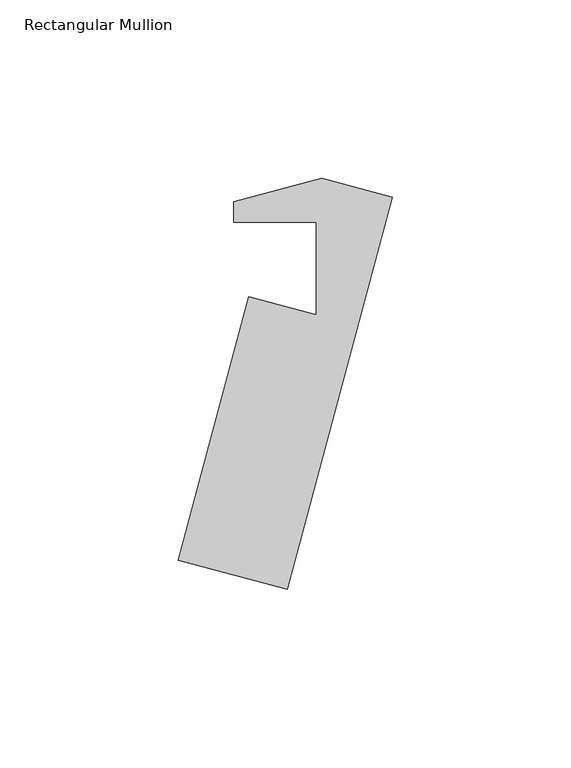
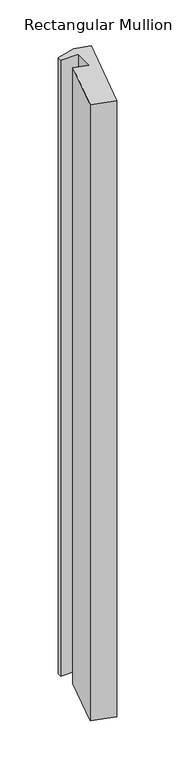
"""IFC4 building model written with IfcOpenShell, lengths in millimetres: member geometry, Rectangular Mullion."""

import ifcopenshell
import ifcopenshell.guid

model = None  # the IFC model being written
_history = None  # IfcOwnerHistory: only IFC2X3 demands one
_inside = {}  # id of a spatial element -> (the spatial element, [elements in it])
_under = {}  # id of a project, library or spatial element -> (it, [spatial elements below it])
_declared = {}  # id of a project -> (the project, [libraries it declares])
_typed = {}  # id of a type object -> (the type object, [elements of that type])
_made_of = {}  # id of a material, layer set ... -> (it, [elements and type objects made of it])


def new_model(schema):
    """Start an empty IFC model of exactly this schema.

    Asked for "IFC4X3", IfcOpenShell would pick the latest addendum, in which some entities
    have other attributes; the version numbers below select the first issue.
    IFC2X3 requires an IfcOwnerHistory on every rooted entity: one is made here for all.
    """
    global model, _history
    if schema == "IFC4X3":
        model = ifcopenshell.file(schema_version=(4, 3, 0, 0))
    else:
        model = ifcopenshell.file(schema=schema)
    _inside.clear()
    _under.clear()
    _declared.clear()
    _typed.clear()
    _made_of.clear()
    _history = None
    if model.schema == "IFC2X3":
        org = make("IfcOrganization", Name="unknown")
        user = make(
            "IfcPersonAndOrganization",
            ThePerson=make("IfcPerson", FamilyName="unknown"),
            TheOrganization=org,
        )
        app = make(
            "IfcApplication",
            ApplicationDeveloper=org,
            Version="unknown",
            ApplicationFullName="unknown",
            ApplicationIdentifier="unknown",
        )
        _history = make(
            "IfcOwnerHistory",
            OwningUser=user,
            OwningApplication=app,
            ChangeAction="ADDED",
            CreationDate=0,
        )
    return model


def make(cls, **values):
    """One entity of the class cls with the attributes given. An attribute that is None is left unset."""
    return model.create_entity(
        cls, **{name: value for name, value in values.items() if value is not None}
    )


def rooted(cls, **values):
    """An entity with a GlobalId (a new one), such as an element, a storey or a relation."""
    return make(cls, GlobalId=ifcopenshell.guid.new(), OwnerHistory=_history, **values)


def si_unit(unit_type, name, prefix=None):
    """IfcSIUnit, for example si_unit("LENGTHUNIT", "METRE", prefix="MILLI")."""
    return make("IfcSIUnit", UnitType=unit_type, Prefix=prefix, Name=name)


def assignment(units):
    """IfcUnitAssignment: the units of a project."""
    return None if units is None else make("IfcUnitAssignment", Units=units)


def point(xyz):
    """IfcCartesianPoint."""
    return None if xyz is None else make("IfcCartesianPoint", Coordinates=xyz)


def direction(xyz):
    """IfcDirection."""
    return None if xyz is None else make("IfcDirection", DirectionRatios=xyz)


def frame(location, z_axis=None, x_axis=None):
    """IfcAxis2Placement3D, a coordinate frame: its origin and axes. An axis left out is left unset."""
    return make(
        "IfcAxis2Placement3D",
        Location=point(location),
        Axis=direction(z_axis),
        RefDirection=direction(x_axis),
    )


def origin():
    """The frame at (0, 0, 0) with its axes left unset."""
    return frame((0.0, 0.0, 0.0))


def place(relative_to, where):
    """IfcLocalPlacement: puts the frame where relative to a parent placement (None: the world)."""
    return make(
        "IfcLocalPlacement", PlacementRelTo=relative_to, RelativePlacement=where
    )


def context(
    kind, dimensions, precision=None, world=None, true_north=None, identifier=None
):
    """IfcGeometricRepresentationContext, for example the 3D "Model" context."""
    return make(
        "IfcGeometricRepresentationContext",
        ContextIdentifier=identifier,
        ContextType=kind,
        CoordinateSpaceDimension=dimensions,
        Precision=precision,
        WorldCoordinateSystem=world,
        TrueNorth=true_north,
    )


def project(units=None, contexts=None):
    """IfcProject with its units and contexts."""
    return rooted(
        "IfcProject",
        Name="project",
        RepresentationContexts=contexts,
        UnitsInContext=assignment(units),
    )


def spatial(cls, under=None, at=None, **own):
    """A site, building, storey or space (cls), placed at a placement, below another one or the project."""
    s = rooted(cls, ObjectPlacement=at, **own)
    if under is not None:
        _under.setdefault(under.id(), (under, []))[1].append(s)
    return s


def polyline(points):
    """IfcPolyline through the points."""
    return make("IfcPolyline", Points=[point(p) for p in points])


def outline(outer, holes=None, kind="AREA"):
    """IfcArbitraryClosedProfileDef: a profile drawn as a closed curve; with holes, ...WithVoids."""
    if holes is None:
        return make("IfcArbitraryClosedProfileDef", ProfileType=kind, OuterCurve=outer)
    return make(
        "IfcArbitraryProfileDefWithVoids",
        ProfileType=kind,
        OuterCurve=outer,
        InnerCurves=holes,
    )


def extrude(swept, where, along, depth):
    """IfcExtrudedAreaSolid: the profile swept, set in the frame where, extruded along a direction by depth."""
    return make(
        "IfcExtrudedAreaSolid",
        SweptArea=swept,
        Position=where,
        ExtrudedDirection=direction(along),
        Depth=depth,
    )


def shape(context_of_items, identifier, shape_type, items):
    """IfcShapeRepresentation: the items that make up one representation, for example the "Body"."""
    return make(
        "IfcShapeRepresentation",
        ContextOfItems=context_of_items,
        RepresentationIdentifier=identifier,
        RepresentationType=shape_type,
        Items=items,
    )


def source(mapping_origin, context_of_items, identifier, shape_type, items):
    """IfcRepresentationMap: a shape defined once, which mapped items show again and again."""
    return make(
        "IfcRepresentationMap",
        MappingOrigin=mapping_origin,
        MappedRepresentation=shape(context_of_items, identifier, shape_type, items),
    )


def transform(
    local_origin,
    x_axis=None,
    y_axis=None,
    z_axis=None,
    scale=None,
    scale2=None,
    scale3=None,
    uniform=True,
):
    """IfcCartesianTransformationOperator3D, or its non-uniform kind. x_axis, y_axis, z_axis: its Axis1, 2, 3."""
    if uniform:
        return make(
            "IfcCartesianTransformationOperator3D",
            Axis1=direction(x_axis),
            Axis2=direction(y_axis),
            LocalOrigin=point(local_origin),
            Scale=scale,
            Axis3=direction(z_axis),
        )
    return make(
        "IfcCartesianTransformationOperator3DnonUniform",
        Axis1=direction(x_axis),
        Axis2=direction(y_axis),
        LocalOrigin=point(local_origin),
        Scale=scale,
        Axis3=direction(z_axis),
        Scale2=scale2,
        Scale3=scale3,
    )


def mapped(mapping_source, mapping_target):
    """IfcMappedItem: shows the shape of a source again, moved by a transform."""
    return make(
        "IfcMappedItem", MappingSource=mapping_source, MappingTarget=mapping_target
    )


def made_of(thing, what):
    """Note that an element or type object is made of a material, layer set ...; save() writes the relation."""
    if what is not None:
        _made_of.setdefault(what.id(), (what, []))[1].append(thing)
    return thing


def element(
    cls,
    number,
    at=None,
    inside=None,
    cuts=None,
    type_object=None,
    material=None,
    context=None,
    identifier="Body",
    shape_type=None,
    held_by="IfcProductDefinitionShape",
    body=None,
    shapes=None,
    **own,
):
    """One element of the class cls, such as IfcWall. Its Tag is "e" and its number.

    at: its placement. inside: the storey or other place that contains it. cuts: it is an
    opening in that element (IfcRelVoidsElement). A single representation is given by context,
    identifier, shape_type and body (its items); several are given by shapes. held_by: the class
    of the entity that holds the representations. save() writes the other relations.
    """
    e = rooted(cls, Tag="e%d" % number, ObjectPlacement=at, **own)
    if body is not None:
        shapes = [shape(context, identifier, shape_type, body)]
    if shapes is not None:
        e.Representation = make(held_by, Representations=shapes)
    if inside is not None:
        _inside.setdefault(inside.id(), (inside, []))[1].append(e)
    if cuts is not None:
        rooted(
            "IfcRelVoidsElement", RelatingBuildingElement=cuts, RelatedOpeningElement=e
        )
    if type_object is not None:
        _typed.setdefault(type_object.id(), (type_object, []))[1].append(e)
    return made_of(e, material)


def aggregate(whole, parts):
    """IfcRelAggregates: a whole, such as a stair, and the parts it consists of."""
    return rooted("IfcRelAggregates", RelatingObject=whole, RelatedObjects=parts)


def save(model, path):
    """Write the relations noted so far, then the file.

    IfcRelAggregates (storeys below a building ...), IfcRelContainedInSpatialStructure (elements
    in a storey), IfcRelDefinesByType, IfcRelAssociatesMaterial and IfcRelDeclares: one each for
    every whole, place, type object, material and project.
    """
    for whole, parts in _under.values():
        aggregate(whole, parts)
    for where, things in _inside.values():
        rooted(
            "IfcRelContainedInSpatialStructure",
            RelatedElements=things,
            RelatingStructure=where,
        )
    for kind, things in _typed.values():
        rooted("IfcRelDefinesByType", RelatedObjects=things, RelatingType=kind)
    for what, things in _made_of.values():
        rooted("IfcRelAssociatesMaterial", RelatedObjects=things, RelatingMaterial=what)
    for by, libraries in _declared.values():
        rooted("IfcRelDeclares", RelatingContext=by, RelatedDefinitions=libraries)
    model.write(path)


def rectangular_mullion_58ad738d(model_context):
    return source(origin(), model_context, "Body", "SweptSolid", [
        extrude(outline(polyline([(3.1873155, 11.8952233), (-26.3044379, -98.1694988), (-56.9725829, -89.9519941), (-37.1651096, -16.0294974), (-18.2474631, -21.0984656), (-18.2474631, 4.8060016), (-41.3984584, 4.8060016), (-41.3984584, 10.6166788), (-16.7197749, 17.2293121), (3.1873155, 11.8952233)])), frame((0.0, 0.0, -863.6587692), z_axis=(0.0, 0.0, 1.0), x_axis=(1.0, 0.0, 0.0)), (0.0, 0.0, 1.0), 863.6587692),
    ])


if __name__ == "__main__":
    model = new_model("IFC4")
    model_context = context("Model", 3, world=origin())
    ifc_project = project(units=[si_unit("LENGTHUNIT", "METRE", prefix="MILLI")], contexts=[model_context])
    site = spatial("IfcSite", under=ifc_project)
    building = spatial("IfcBuilding", under=site)
    placement = place(None, origin())
    rectangular_mullion_shape = rectangular_mullion_58ad738d(model_context)
    element("IfcMember", 1, ObjectType="Rectangular Mullion", at=placement, inside=building, context=model_context, shape_type="MappedRepresentation", body=[
        mapped(rectangular_mullion_shape, transform((0.0, 0.0, 0.0), x_axis=(1.0, 0.0, 0.0), y_axis=(0.0, 1.0, 0.0), z_axis=(0.0, 0.0, 1.0))),
    ])
    save(model, "model.ifc")
